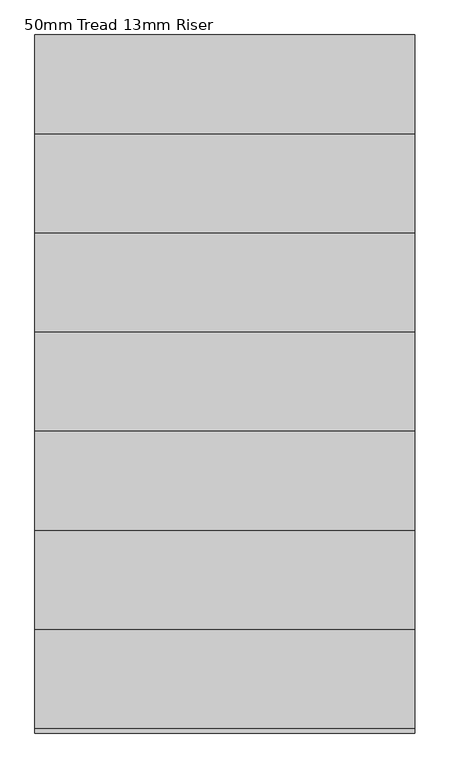
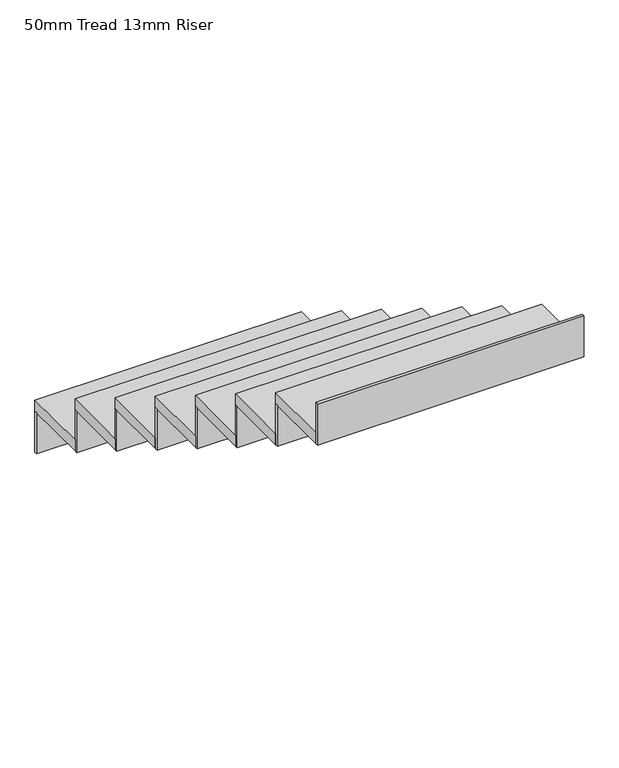
"""IFC4 building model written with IfcOpenShell, lengths in millimetres: stair flight geometry, 50mm Tread 13mm Riser."""

from ifc_helpers import new_model, si_unit, frame, origin, place, context, project, spatial, polyline, outline, extrude, source, transform, mapped, element, save


def stair_flight_50mm_tread_13mm_riser_d8d62679(model_context):
    return source(origin(), model_context, "Body", "SweptSolid", [
        extrude(outline(polyline([(1684.355623, -9384.865151), (1684.355623, -9372.365151), (2834.355623, -9372.365151), (2834.355623, -9384.865151), (1684.355623, -9384.865151)])), frame((0.0, 0.0, 16450.0), z_axis=(0.0, 0.0, 1.0), x_axis=(1.0, 0.0, 0.0)), (0.0, 0.0, 1.0), 187.5),
        extrude(outline(polyline([(2834.355623, -9672.365151), (1684.355623, -9672.365151), (1684.355623, -9372.365151), (2834.355623, -9372.365151), (2834.355623, -9672.365151)])), frame((0.0, 0.0, 16637.5), z_axis=(0.0, 0.0, 1.0), x_axis=(1.0, 0.0, 0.0)), (0.0, 0.0, 1.0), 50.0),
        extrude(outline(polyline([(1684.355623, -9684.865151), (1684.355623, -9672.365151), (2834.355623, -9672.365151), (2834.355623, -9684.865151), (1684.355623, -9684.865151)])), frame((0.0, 0.0, 16637.5), z_axis=(0.0, 0.0, 1.0), x_axis=(1.0, 0.0, 0.0)), (0.0, 0.0, 1.0), 187.5),
        extrude(outline(polyline([(2834.355623, -9972.365151), (1684.355623, -9972.365151), (1684.355623, -9672.365151), (2834.355623, -9672.365151), (2834.355623, -9972.365151)])), frame((0.0, 0.0, 16825.0), z_axis=(0.0, 0.0, 1.0), x_axis=(1.0, 0.0, 0.0)), (0.0, 0.0, 1.0), 50.0),
        extrude(outline(polyline([(1684.355623, -9984.865151), (1684.355623, -9972.365151), (2834.355623, -9972.365151), (2834.355623, -9984.865151), (1684.355623, -9984.865151)])), frame((0.0, 0.0, 16825.0), z_axis=(0.0, 0.0, 1.0), x_axis=(1.0, 0.0, 0.0)), (0.0, 0.0, 1.0), 187.5),
        extrude(outline(polyline([(2834.355623, -10272.365151), (1684.355623, -10272.365151), (1684.355623, -9972.365151), (2834.355623, -9972.365151), (2834.355623, -10272.365151)])), frame((0.0, 0.0, 17012.5), z_axis=(0.0, 0.0, 1.0), x_axis=(1.0, 0.0, 0.0)), (0.0, 0.0, 1.0), 50.0),
        extrude(outline(polyline([(1684.355623, -10284.865151), (1684.355623, -10272.365151), (2834.355623, -10272.365151), (2834.355623, -10284.865151), (1684.355623, -10284.865151)])), frame((0.0, 0.0, 17012.5), z_axis=(0.0, 0.0, 1.0), x_axis=(1.0, 0.0, 0.0)), (0.0, 0.0, 1.0), 187.5),
        extrude(outline(polyline([(2834.355623, -10572.365151), (1684.355623, -10572.365151), (1684.355623, -10272.365151), (2834.355623, -10272.365151), (2834.355623, -10572.365151)])), frame((0.0, 0.0, 17200.0), z_axis=(0.0, 0.0, 1.0), x_axis=(1.0, 0.0, 0.0)), (0.0, 0.0, 1.0), 50.0),
        extrude(outline(polyline([(1684.355623, -10584.865151), (1684.355623, -10572.365151), (2834.355623, -10572.365151), (2834.355623, -10584.865151), (1684.355623, -10584.865151)])), frame((0.0, 0.0, 17200.0), z_axis=(0.0, 0.0, 1.0), x_axis=(1.0, 0.0, 0.0)), (0.0, 0.0, 1.0), 187.5),
        extrude(outline(polyline([(2834.355623, -10872.365151), (1684.355623, -10872.365151), (1684.355623, -10572.365151), (2834.355623, -10572.365151), (2834.355623, -10872.365151)])), frame((0.0, 0.0, 17387.5), z_axis=(0.0, 0.0, 1.0), x_axis=(1.0, 0.0, 0.0)), (0.0, 0.0, 1.0), 50.0),
        extrude(outline(polyline([(1684.355623, -10884.865151), (1684.355623, -10872.365151), (2834.355623, -10872.365151), (2834.355623, -10884.865151), (1684.355623, -10884.865151)])), frame((0.0, 0.0, 17387.5), z_axis=(0.0, 0.0, 1.0), x_axis=(1.0, 0.0, 0.0)), (0.0, 0.0, 1.0), 187.5),
        extrude(outline(polyline([(2834.355623, -11172.365151), (1684.355623, -11172.365151), (1684.355623, -10872.365151), (2834.355623, -10872.365151), (2834.355623, -11172.365151)])), frame((0.0, 0.0, 17575.0), z_axis=(0.0, 0.0, 1.0), x_axis=(1.0, 0.0, 0.0)), (0.0, 0.0, 1.0), 50.0),
        extrude(outline(polyline([(1684.355623, -11184.865151), (1684.355623, -11172.365151), (2834.355623, -11172.365151), (2834.355623, -11184.865151), (1684.355623, -11184.865151)])), frame((0.0, 0.0, 17575.0), z_axis=(0.0, 0.0, 1.0), x_axis=(1.0, 0.0, 0.0)), (0.0, 0.0, 1.0), 187.5),
        extrude(outline(polyline([(1684.355623, -11484.865151), (1684.355623, -11472.365151), (2834.355623, -11472.365151), (2834.355623, -11484.865151), (1684.355623, -11484.865151)])), frame((0.0, 0.0, 17762.5), z_axis=(0.0, 0.0, 1.0), x_axis=(1.0, 0.0, 0.0)), (0.0, 0.0, 1.0), 187.5),
        extrude(outline(polyline([(2834.355623, -11472.365151), (1684.355623, -11472.365151), (1684.355623, -11172.365151), (2834.355623, -11172.365151), (2834.355623, -11472.365151)])), frame((0.0, 0.0, 17762.5), z_axis=(0.0, 0.0, 1.0), x_axis=(1.0, 0.0, 0.0)), (0.0, 0.0, 1.0), 50.0),
    ])


if __name__ == "__main__":
    model = new_model("IFC4")
    model_context = context("Model", 3, world=origin())
    ifc_project = project(units=[si_unit("LENGTHUNIT", "METRE", prefix="MILLI")], contexts=[model_context])
    site = spatial("IfcSite", under=ifc_project)
    building = spatial("IfcBuilding", under=site)
    placement = place(None, origin())
    stair_flight_50mm_tread_13mm_riser_shape = stair_flight_50mm_tread_13mm_riser_d8d62679(model_context)
    element("IfcStairFlight", 1, ObjectType="50mm Tread 13mm Riser", at=placement, inside=building, context=model_context, shape_type="MappedRepresentation", body=[
        mapped(stair_flight_50mm_tread_13mm_riser_shape, transform((0.0, 0.0, 0.0), x_axis=(1.0, 0.0, 0.0), y_axis=(0.0, 1.0, 0.0), z_axis=(0.0, 0.0, 1.0))),
    ])
    save(model, "model.ifc")
